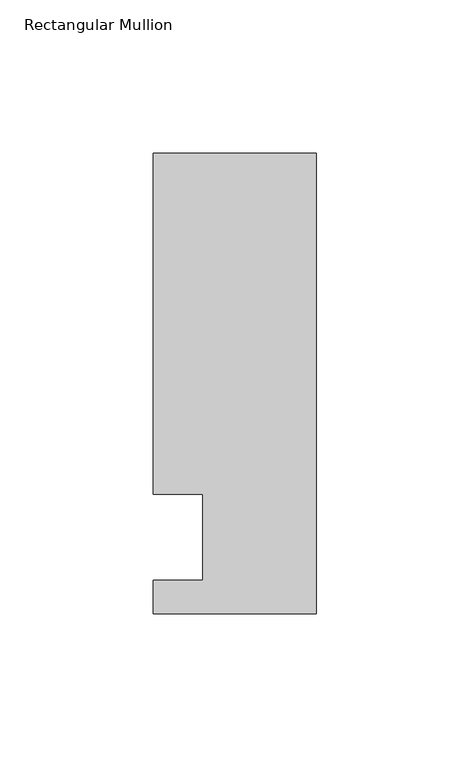
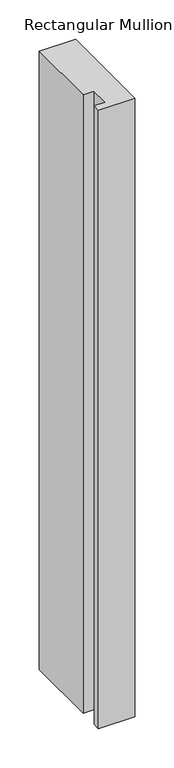
"""IFC4 building model written with IfcOpenShell, lengths in millimetres: member geometry, Rectangular Mullion."""

from ifc_helpers import new_model, si_unit, frame, origin, place, context, project, spatial, polyline, outline, extrude, source, transform, mapped, element, save


def rectangular_mullion_ca62d088(model_context):
    return source(origin(), model_context, "Body", "SweptSolid", [
        extrude(outline(polyline([(-37.0, 14.0), (-53.0, 14.0), (-53.0, 125.0), (0.0, 125.0), (0.0, -25.0), (-53.0, -25.0), (-53.0, -14.0), (-37.0, -14.0), (-37.0, 14.0)])), frame((0.0, 0.0, -958.9865328), z_axis=(0.0, 0.0, 1.0), x_axis=(1.0, 0.0, 0.0)), (0.0, 0.0, 1.0), 958.9865328),
    ])


if __name__ == "__main__":
    model = new_model("IFC4")
    model_context = context("Model", 3, world=origin())
    ifc_project = project(units=[si_unit("LENGTHUNIT", "METRE", prefix="MILLI")], contexts=[model_context])
    site = spatial("IfcSite", under=ifc_project)
    building = spatial("IfcBuilding", under=site)
    placement = place(None, origin())
    rectangular_mullion_shape = rectangular_mullion_ca62d088(model_context)
    element("IfcMember", 1, ObjectType="Rectangular Mullion", at=placement, inside=building, context=model_context, shape_type="MappedRepresentation", body=[
        mapped(rectangular_mullion_shape, transform((0.0, 0.0, 0.0), x_axis=(1.0, 0.0, 0.0), y_axis=(0.0, 1.0, 0.0), z_axis=(0.0, 0.0, 1.0))),
    ])
    save(model, "model.ifc")
